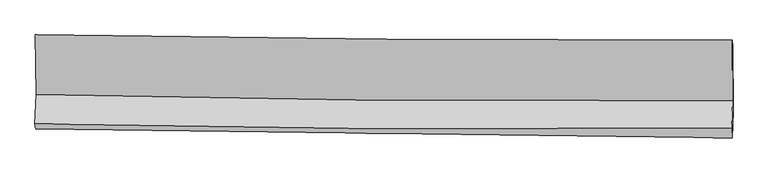
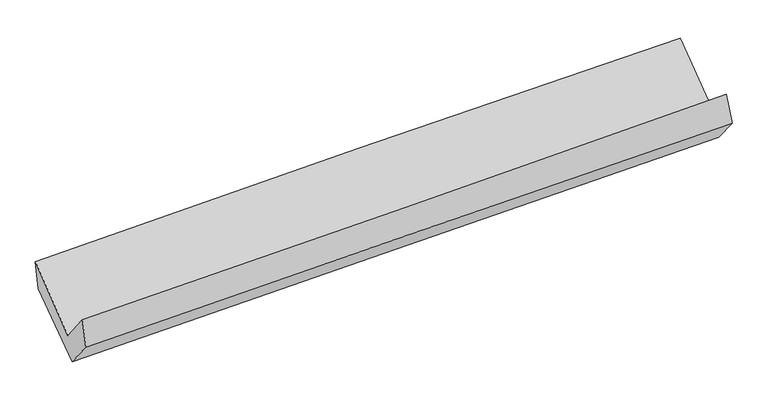
"""IFC4 building model written with IfcOpenShell, lengths in millimetres: proxy geometry."""

from ifc_helpers import new_model, si_unit, frame, origin, place, context, project, spatial, source, transform, mapped, element, save
from ifc_brep_helpers import plane_surface, spline_curve, spline_surface, advanced_brep


def generic_models_a8705457(model_context):
    return source(origin(), model_context, "Body", "AdvancedBrep", [
        advanced_brep(
        [(-3041.0071405, -1160.1596069, 2176.033541), (-3036.035327, -1682.2694033, 1752.8196231), (3025.9535041, -1733.7972468, 1913.2868721), (3023.3153773, -1207.9811958, 2317.9055856), (-3046.0682691, -1938.4391065, 2070.8998923), (3016.2166776, -1974.1500805, 2224.767819), (-3040.661088, -1982.542779, 1824.9321234), (3020.4238418, -2060.3503839, 1987.1918818), (-3031.4808303, -1747.821189, 1534.0173243), (3029.5178189, -1828.43482, 1700.3027074), (-3035.4742499, -1193.7805675, 1929.0563981), (3027.6317341, -1257.0301594, 2095.5079963)],
        [
            (0, 1),
            (1, 2, spline_curve(3, [(-3036.035327, -1682.2694033, 1752.8196231), (-2026.215698362, -1706.285974518, 1798.887086185), (-1016.089973303, -1722.587907481, 1835.293457152), (1004.573092197, -1739.760792671, 1888.778705094), (2015.110310476, -1740.634807619, 1905.861417199), (3025.9535041, -1733.7972468, 1913.2868721)], [4, 2, 4], [0.0, 9.951206252583484, 19.900437110071827])),
            (2, 3),
            (3, 0, spline_curve(3, [(3023.3153773, -1207.9811958, 2317.9055856), (2012.234510148, -1210.208405415, 2310.386095876), (1001.384007974, -1207.337779469, 2294.805654606), (-1020.056922495, -1191.399274612, 2247.518174254), (-2030.647259879, -1178.329370768, 2215.807934226), (-3041.0071405, -1160.1596069, 2176.033541)], [4, 2, 4], [0.0, 9.949230857488343, 19.900437110071827])),
            (1, 4),
            (4, 5, spline_curve(3, [(-3046.0682691, -1938.4391065, 2070.8998923), (-2036.000885329, -1961.9135317, 2106.005639322), (-1025.726613418, -1976.626084841, 2136.381643248), (995.035117918, -1988.5262645, 2187.669074362), (2005.52249474, -1985.717369708, 2208.582379323), (3016.2166776, -1974.1500805, 2224.767819)], [4, 2, 4], [0.0, 9.94970948265446, 19.897443867334744])),
            (5, 2),
            (4, 6),
            (6, 7, spline_curve(3, [(-3040.661088, -1982.542779, 1824.9321234), (-2030.403360648, -1994.78927231, 1853.381392076), (-1020.13394765, -2007.397165559, 1881.128945745), (1000.227700064, -2033.333177132, 1935.215253237), (2010.319930388, -2046.661152351, 1961.554285884), (3020.4238418, -2060.3503839, 1987.1918818)], [4, 2, 4], [0.0, 9.9486335440259, 19.895292203660162])),
            (7, 5),
            (6, 8),
            (8, 9, spline_curve(3, [(-3031.4808303, -1747.821189, 1534.0173243), (-2021.277121116, -1761.659904245, 1564.348795693), (-1011.041906147, -1775.297711219, 1593.372892177), (1009.290989214, -1802.168841848, 1648.800834229), (2019.388657499, -1815.402244951, 1675.205198503), (3029.5178189, -1828.43482, 1700.3027074)], [4, 2, 4], [0.0, 9.948146876626254, 19.89431896546829])),
            (9, 7),
            (8, 10),
            (10, 11, spline_curve(3, [(-3035.4742499, -1193.7805675, 1929.0563981), (-2024.973028767, -1209.898130922, 1959.819397168), (-1014.413426443, -1223.22795853, 1989.073090251), (1006.621924982, -1244.31004898, 2044.556357263), (2017.09765053, -1252.063418738, 2070.78653028), (3027.6317341, -1257.0301594, 2095.5079963)], [4, 2, 4], [0.0, 9.949767328295946, 19.897559547134886])),
            (11, 9),
            (10, 0),
            (3, 11),
        ],
        [
            spline_surface(3, 3, [[(-3041.0071405, -1160.1596069, 2176.033541), (-2030.647259771, -1178.329370768, 2215.807934172), (-1020.056922626, -1191.39927449, 2247.518174297), (1001.384008106, -1207.337779592, 2294.805654563), (2012.234510269, -1210.208405514, 2310.386095943), (3023.3153773, -1207.9811958, 2317.9055856)], [(-3039.349869336, -1334.196205725, 2034.962235047), (-2029.170072682, -1354.314905323, 2076.834318242), (-1018.734606136, -1368.462152136, 2110.109935273), (1002.447036083, -1384.812117297, 2159.463338041), (2013.193110325, -1387.017206189, 2175.544536335), (3024.1947529, -1383.253212809, 2183.032681102)], [(-3037.692598164, -1508.232804475, 1893.890929053), (-2027.692885584, -1530.300439803, 1937.860702272), (-1017.41228964, -1545.525029791, 1972.701696261), (1003.510064067, -1562.286455011, 2024.121021531), (2014.151710381, -1563.826006838, 2040.702976719), (3025.0741285, -1558.525229791, 2048.159776598)], [(-3036.035327, -1682.2694033, 1752.8196231), (-2026.215698495, -1706.285974358, 1798.887086342), (-1016.089973151, -1722.587907436, 1835.293457236), (1004.573092044, -1739.760792716, 1888.778705009), (2015.110310437, -1740.634807514, 1905.861417111), (3025.9535041, -1733.7972468, 1913.2868721)]], [4, 4], [4, 2, 4], [0.0, 2.2013789215938284], [0.0, 9.951206252583484, 19.900437110071827]),
            spline_surface(3, 3, [[(-3036.035327, -1682.2694033, 1752.8196231), (-2026.215698495, -1706.285974358, 1798.887086342), (-1016.089973151, -1722.587907436, 1835.293457236), (1004.573092044, -1739.760792716, 1888.778705009), (2015.110310437, -1740.634807514, 1905.861417111), (3025.9535041, -1733.7972468, 1913.2868721)], [(-3039.379641028, -1767.659304364, 1858.846379488), (-2029.477427391, -1791.495160174, 1901.259937278), (-1019.302186511, -1807.267299883, 1935.656185895), (1001.393767295, -1822.682616648, 1988.408828184), (2011.914371891, -1822.328994876, 2006.768404536), (3022.707895289, -1813.914858047, 2017.113854406)], [(-3042.723955072, -1853.049205436, 1964.873135912), (-2032.739156303, -1876.704345997, 2003.632788249), (-1022.514399904, -1891.946692357, 2036.018914485), (998.214442513, -1905.604440606, 2088.038951291), (2008.718433279, -1904.023182196, 2107.675391941), (3019.462286411, -1894.032469253, 2120.940836694)], [(-3046.0682691, -1938.4391065, 2070.8998923), (-2036.000885198, -1961.913531812, 2106.005639185), (-1025.726613264, -1976.626084803, 2136.381643144), (995.035117764, -1988.526264538, 2187.669074466), (2005.522494733, -1985.717369557, 2208.582379366), (3016.2166776, -1974.1500805, 2224.767819)]], [4, 4], [4, 2, 4], [0.0, 1.284517974188979], [0.0, 9.94970948265446, 19.897443867334744]),
            spline_surface(3, 3, [[(-3046.0682691, -1938.4391065, 2070.8998923), (-2036.000885198, -1961.913531812, 2106.005639185), (-1025.726613264, -1976.626084803, 2136.381643144), (995.035117764, -1988.526264538, 2187.669074466), (2005.522494733, -1985.717369557, 2208.582379366), (3016.2166776, -1974.1500805, 2224.767819)], [(-3044.265875411, -1953.140330659, 1988.910636018), (-2034.135043702, -1972.87211195, 2021.797556874), (-1023.862391434, -1986.883111704, 2051.297410659), (996.765978554, -2003.461902118, 2103.517800733), (2007.121639979, -2006.03196381, 2126.239681548), (3017.61906566, -2002.883514967, 2145.575839939)], [(-3042.463481689, -1967.841554841, 1906.921379682), (-2032.269202173, -1983.830692112, 1937.58947451), (-1021.998169577, -1997.140138559, 1966.213178187), (998.496839371, -2018.397539651, 2019.366527013), (2008.720785246, -2026.346558061, 2043.896983712), (3019.02145374, -2031.616949433, 2066.383860861)], [(-3040.661088, -1982.542779, 1824.9321234), (-2030.403360678, -1994.789272249, 1853.3813922), (-1020.133947747, -2007.39716546, 1881.128945702), (1000.227700161, -2033.333177231, 1935.215253279), (2010.319930492, -2046.661152313, 1961.554285893), (3020.4238418, -2060.3503839, 1987.1918818)]], [4, 4], [4, 2, 4], [0.0, 0.8422153224705529], [0.0, 9.9486335440259, 19.895292203660162]),
            spline_surface(3, 3, [[(-3040.661088, -1982.542779, 1824.9321234), (-2030.403360678, -1994.789272249, 1853.3813922), (-1020.133947747, -2007.39716546, 1881.128945702), (1000.227700161, -2033.333177231, 1935.215253279), (2010.319930492, -2046.661152313, 1961.554285893), (3020.4238418, -2060.3503839, 1987.1918818)], [(-3037.601002091, -1904.302249002, 1727.960523693), (-2027.361280848, -1917.079482881, 1757.037193317), (-1017.103267222, -1930.03068071, 1785.2102612), (1003.248796575, -1956.278398751, 1839.743780259), (2013.342839479, -1969.574849893, 1866.104590119), (3023.455167509, -1983.045195936, 1891.562156972)], [(-3034.540916209, -1826.061718998, 1630.988924007), (-2024.319201044, -1839.369693508, 1660.692994455), (-1014.072586779, -1852.664195992, 1689.291576694), (1006.269892907, -1879.223620304, 1744.272307235), (2016.365748438, -1892.488547467, 1770.654894429), (3026.486493191, -1905.740007964, 1795.932432228)], [(-3031.4808303, -1747.821189, 1534.0173243), (-2021.277121214, -1761.65990414, 1564.348795572), (-1011.041906254, -1775.297711243, 1593.372892191), (1009.290989322, -1802.168841824, 1648.800834215), (2019.388657424, -1815.402245047, 1675.205198654), (3029.5178189, -1828.43482, 1700.3027074)]], [4, 4], [4, 2, 4], [0.0, 1.2105978732897789], [0.0, 9.948146876626254, 19.89431896546829]),
            spline_surface(3, 3, [[(-3031.4808303, -1747.821189, 1534.0173243), (-2021.277121214, -1761.65990414, 1564.348795572), (-1011.041906254, -1775.297711243, 1593.372892191), (1009.290989322, -1802.168841824, 1648.800834215), (2019.388657424, -1815.402245047, 1675.205198654), (3029.5178189, -1828.43482, 1700.3027074)], [(-3032.81197018, -1563.140981834, 1665.697015576), (-2022.509090378, -1577.739313068, 1696.172329452), (-1012.165746281, -1591.274460334, 1725.272958239), (1008.401301163, -1616.215910931, 1780.719341893), (2018.624988441, -1627.622636309, 1807.065642516), (3028.889123957, -1637.966599789, 1832.03780373)], [(-3034.14311002, -1378.460774666, 1797.376706824), (-2023.741059501, -1393.818721995, 1827.995863305), (-1013.289586294, -1407.25120935, 1857.173024252), (1007.511613019, -1430.262979961, 1912.637849536), (2017.861319488, -1439.843027602, 1938.926086289), (3028.260429043, -1447.498379611, 1963.77289997)], [(-3035.4742499, -1193.7805675, 1929.0563981), (-2024.973028664, -1209.898130923, 1959.819397185), (-1014.413426321, -1223.227958442, 1989.0730903), (1006.621924861, -1244.310049068, 2044.556357215), (2017.097650506, -1252.063418864, 2070.786530151), (3027.6317341, -1257.0301594, 2095.5079963)]], [4, 4], [4, 2, 4], [0.0, 2.2362585082245756], [0.0, 9.949767328295946, 19.897559547134886]),
            spline_surface(3, 3, [[(-3035.4742499, -1193.7805675, 1929.0563981), (-2024.973028664, -1209.898130923, 1959.819397185), (-1014.413426321, -1223.227958442, 1989.0730903), (1006.621924861, -1244.310049068, 2044.556357215), (2017.097650506, -1252.063418864, 2070.786530151), (3027.6317341, -1257.0301594, 2095.5079963)], [(-3037.318546754, -1182.573580617, 2011.382112378), (-2026.86443902, -1199.375210854, 2045.148909493), (-1016.294591778, -1212.618397106, 2075.221451605), (1004.875952587, -1231.985959224, 2127.972789637), (2015.476603746, -1238.111747732, 2150.653052066), (3026.192948486, -1240.680504852, 2169.640526051)], [(-3039.162843646, -1171.366593783, 2093.707826722), (-2028.755849415, -1188.852290836, 2130.478421865), (-1018.175757169, -1202.008835826, 2161.369812992), (1003.129980379, -1219.661869436, 2211.389222141), (2013.855557029, -1224.160076645, 2230.519574029), (3024.754162914, -1224.330850348, 2243.773055849)], [(-3041.0071405, -1160.1596069, 2176.033541), (-2030.647259771, -1178.329370768, 2215.807934172), (-1020.056922626, -1191.39927449, 2247.518174297), (1001.384008106, -1207.337779592, 2294.805654563), (2012.234510269, -1210.208405514, 2310.386095943), (3023.3153773, -1207.9811958, 2317.9055856)]], [4, 4], [4, 2, 4], [0.0, 0.8422617426342385], [0.0, 9.951843414605625, 19.901711307634283]),
            plane_surface(frame((3023.843159, -1676.9573144, 2039.8271437), z_axis=(0.9996858699420268, -0.011941008482672018, 0.02203573812401714), x_axis=(-0.002714721252835545, 0.8224467700399235, 0.5688356008016875))),
            plane_surface(frame((-3038.4544841, -1617.5021087, 1881.2931504), z_axis=(-0.999671629083988, 0.009704525164025986, -0.023716158961907794), x_axis=(0.022192240497082214, -0.13485255785491432, -0.9906171268970201))),
        ],
        [
            (0, [[1, 2, 3, 4]]),
            (1, [[5, 6, 7, -2]]),
            (2, [[8, 9, 10, -6]]),
            (3, [[11, 12, 13, -9]]),
            (4, [[14, 15, 16, -12]]),
            (5, [[17, -4, 18, -15]]),
            (6, [[-16, -18, -3, -7, -10, -13]]),
            (7, [[-17, -14, -11, -8, -5, -1]]),
        ],
    ),
    ])


if __name__ == "__main__":
    model = new_model("IFC4")
    model_context = context("Model", 3, world=origin())
    ifc_project = project(units=[si_unit("LENGTHUNIT", "METRE", prefix="MILLI")], contexts=[model_context])
    site = spatial("IfcSite", under=ifc_project)
    building = spatial("IfcBuilding", under=site)
    placement = place(None, origin())
    generic_models_shape = generic_models_a8705457(model_context)
    element("IfcBuildingElementProxy", 1, Name="Generic Models", at=placement, inside=building, context=model_context, shape_type="MappedRepresentation", body=[
        mapped(generic_models_shape, transform((0.0, 0.0, 0.0), x_axis=(1.0, 0.0, 0.0), y_axis=(0.0, 1.0, 0.0), z_axis=(0.0, 0.0, 1.0))),
    ])
    save(model, "model.ifc")
